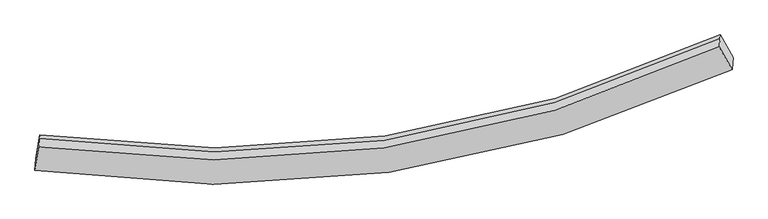
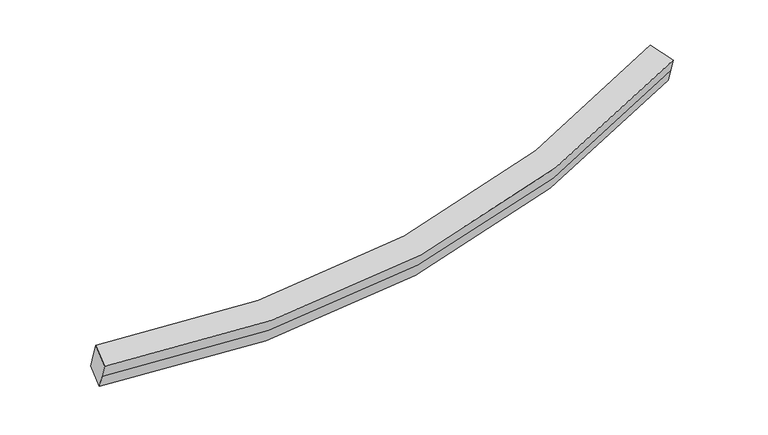
"""IFC4 building model written with IfcOpenShell, lengths in millimetres: proxy geometry."""

import ifcopenshell
import ifcopenshell.guid

model = None  # the IFC model being written
_history = None  # IfcOwnerHistory: only IFC2X3 demands one
_inside = {}  # id of a spatial element -> (the spatial element, [elements in it])
_under = {}  # id of a project, library or spatial element -> (it, [spatial elements below it])
_declared = {}  # id of a project -> (the project, [libraries it declares])
_typed = {}  # id of a type object -> (the type object, [elements of that type])
_made_of = {}  # id of a material, layer set ... -> (it, [elements and type objects made of it])


def new_model(schema):
    """Start an empty IFC model of exactly this schema.

    Asked for "IFC4X3", IfcOpenShell would pick the latest addendum, in which some entities
    have other attributes; the version numbers below select the first issue.
    IFC2X3 requires an IfcOwnerHistory on every rooted entity: one is made here for all.
    """
    global model, _history
    if schema == "IFC4X3":
        model = ifcopenshell.file(schema_version=(4, 3, 0, 0))
    else:
        model = ifcopenshell.file(schema=schema)
    _inside.clear()
    _under.clear()
    _declared.clear()
    _typed.clear()
    _made_of.clear()
    _history = None
    if model.schema == "IFC2X3":
        org = make("IfcOrganization", Name="unknown")
        user = make(
            "IfcPersonAndOrganization",
            ThePerson=make("IfcPerson", FamilyName="unknown"),
            TheOrganization=org,
        )
        app = make(
            "IfcApplication",
            ApplicationDeveloper=org,
            Version="unknown",
            ApplicationFullName="unknown",
            ApplicationIdentifier="unknown",
        )
        _history = make(
            "IfcOwnerHistory",
            OwningUser=user,
            OwningApplication=app,
            ChangeAction="ADDED",
            CreationDate=0,
        )
    return model


def make(cls, **values):
    """One entity of the class cls with the attributes given. An attribute that is None is left unset."""
    return model.create_entity(
        cls, **{name: value for name, value in values.items() if value is not None}
    )


def rooted(cls, **values):
    """An entity with a GlobalId (a new one), such as an element, a storey or a relation."""
    return make(cls, GlobalId=ifcopenshell.guid.new(), OwnerHistory=_history, **values)


def si_unit(unit_type, name, prefix=None):
    """IfcSIUnit, for example si_unit("LENGTHUNIT", "METRE", prefix="MILLI")."""
    return make("IfcSIUnit", UnitType=unit_type, Prefix=prefix, Name=name)


def assignment(units):
    """IfcUnitAssignment: the units of a project."""
    return None if units is None else make("IfcUnitAssignment", Units=units)


def point(xyz):
    """IfcCartesianPoint."""
    return None if xyz is None else make("IfcCartesianPoint", Coordinates=xyz)


def direction(xyz):
    """IfcDirection."""
    return None if xyz is None else make("IfcDirection", DirectionRatios=xyz)


def frame(location, z_axis=None, x_axis=None):
    """IfcAxis2Placement3D, a coordinate frame: its origin and axes. An axis left out is left unset."""
    return make(
        "IfcAxis2Placement3D",
        Location=point(location),
        Axis=direction(z_axis),
        RefDirection=direction(x_axis),
    )


def origin():
    """The frame at (0, 0, 0) with its axes left unset."""
    return frame((0.0, 0.0, 0.0))


def place(relative_to, where):
    """IfcLocalPlacement: puts the frame where relative to a parent placement (None: the world)."""
    return make(
        "IfcLocalPlacement", PlacementRelTo=relative_to, RelativePlacement=where
    )


def context(
    kind, dimensions, precision=None, world=None, true_north=None, identifier=None
):
    """IfcGeometricRepresentationContext, for example the 3D "Model" context."""
    return make(
        "IfcGeometricRepresentationContext",
        ContextIdentifier=identifier,
        ContextType=kind,
        CoordinateSpaceDimension=dimensions,
        Precision=precision,
        WorldCoordinateSystem=world,
        TrueNorth=true_north,
    )


def project(units=None, contexts=None):
    """IfcProject with its units and contexts."""
    return rooted(
        "IfcProject",
        Name="project",
        RepresentationContexts=contexts,
        UnitsInContext=assignment(units),
    )


def spatial(cls, under=None, at=None, **own):
    """A site, building, storey or space (cls), placed at a placement, below another one or the project."""
    s = rooted(cls, ObjectPlacement=at, **own)
    if under is not None:
        _under.setdefault(under.id(), (under, []))[1].append(s)
    return s


def shape(context_of_items, identifier, shape_type, items):
    """IfcShapeRepresentation: the items that make up one representation, for example the "Body"."""
    return make(
        "IfcShapeRepresentation",
        ContextOfItems=context_of_items,
        RepresentationIdentifier=identifier,
        RepresentationType=shape_type,
        Items=items,
    )


def source(mapping_origin, context_of_items, identifier, shape_type, items):
    """IfcRepresentationMap: a shape defined once, which mapped items show again and again."""
    return make(
        "IfcRepresentationMap",
        MappingOrigin=mapping_origin,
        MappedRepresentation=shape(context_of_items, identifier, shape_type, items),
    )


def transform(
    local_origin,
    x_axis=None,
    y_axis=None,
    z_axis=None,
    scale=None,
    scale2=None,
    scale3=None,
    uniform=True,
):
    """IfcCartesianTransformationOperator3D, or its non-uniform kind. x_axis, y_axis, z_axis: its Axis1, 2, 3."""
    if uniform:
        return make(
            "IfcCartesianTransformationOperator3D",
            Axis1=direction(x_axis),
            Axis2=direction(y_axis),
            LocalOrigin=point(local_origin),
            Scale=scale,
            Axis3=direction(z_axis),
        )
    return make(
        "IfcCartesianTransformationOperator3DnonUniform",
        Axis1=direction(x_axis),
        Axis2=direction(y_axis),
        LocalOrigin=point(local_origin),
        Scale=scale,
        Axis3=direction(z_axis),
        Scale2=scale2,
        Scale3=scale3,
    )


def mapped(mapping_source, mapping_target):
    """IfcMappedItem: shows the shape of a source again, moved by a transform."""
    return make(
        "IfcMappedItem", MappingSource=mapping_source, MappingTarget=mapping_target
    )


def made_of(thing, what):
    """Note that an element or type object is made of a material, layer set ...; save() writes the relation."""
    if what is not None:
        _made_of.setdefault(what.id(), (what, []))[1].append(thing)
    return thing


def element(
    cls,
    number,
    at=None,
    inside=None,
    cuts=None,
    type_object=None,
    material=None,
    context=None,
    identifier="Body",
    shape_type=None,
    held_by="IfcProductDefinitionShape",
    body=None,
    shapes=None,
    **own,
):
    """One element of the class cls, such as IfcWall. Its Tag is "e" and its number.

    at: its placement. inside: the storey or other place that contains it. cuts: it is an
    opening in that element (IfcRelVoidsElement). A single representation is given by context,
    identifier, shape_type and body (its items); several are given by shapes. held_by: the class
    of the entity that holds the representations. save() writes the other relations.
    """
    e = rooted(cls, Tag="e%d" % number, ObjectPlacement=at, **own)
    if body is not None:
        shapes = [shape(context, identifier, shape_type, body)]
    if shapes is not None:
        e.Representation = make(held_by, Representations=shapes)
    if inside is not None:
        _inside.setdefault(inside.id(), (inside, []))[1].append(e)
    if cuts is not None:
        rooted(
            "IfcRelVoidsElement", RelatingBuildingElement=cuts, RelatedOpeningElement=e
        )
    if type_object is not None:
        _typed.setdefault(type_object.id(), (type_object, []))[1].append(e)
    return made_of(e, material)


def aggregate(whole, parts):
    """IfcRelAggregates: a whole, such as a stair, and the parts it consists of."""
    return rooted("IfcRelAggregates", RelatingObject=whole, RelatedObjects=parts)


def save(model, path):
    """Write the relations noted so far, then the file.

    IfcRelAggregates (storeys below a building ...), IfcRelContainedInSpatialStructure (elements
    in a storey), IfcRelDefinesByType, IfcRelAssociatesMaterial and IfcRelDeclares: one each for
    every whole, place, type object, material and project.
    """
    for whole, parts in _under.values():
        aggregate(whole, parts)
    for where, things in _inside.values():
        rooted(
            "IfcRelContainedInSpatialStructure",
            RelatedElements=things,
            RelatingStructure=where,
        )
    for kind, things in _typed.values():
        rooted("IfcRelDefinesByType", RelatedObjects=things, RelatingType=kind)
    for what, things in _made_of.values():
        rooted("IfcRelAssociatesMaterial", RelatedObjects=things, RelatingMaterial=what)
    for by, libraries in _declared.values():
        rooted("IfcRelDeclares", RelatingContext=by, RelatedDefinitions=libraries)
    model.write(path)


def plane_surface(at):
    """IfcPlane: the flat surface through the origin of the frame at, square to its z axis."""
    return make("IfcPlane", Position=at)


def spline_curve(degree, points, multiplicities, knots, weights=None):
    """IfcBSplineCurveWithKnots; with weights, IfcRationalBSplineCurveWithKnots."""
    own = dict(
        Degree=degree,
        ControlPointsList=[point(p) for p in points],
        CurveForm="UNSPECIFIED",
        ClosedCurve=False,
        SelfIntersect=False,
        KnotMultiplicities=multiplicities,
        Knots=knots,
        KnotSpec="UNSPECIFIED",
    )
    if weights is None:
        return make("IfcBSplineCurveWithKnots", **own)
    return make("IfcRationalBSplineCurveWithKnots", WeightsData=weights, **own)


def spline_surface(u_degree, v_degree, points, u_multiplicities, v_multiplicities, u_knots, v_knots, weights=None):
    """IfcBSplineSurfaceWithKnots; with weights, IfcRationalBSplineSurfaceWithKnots. points: one row for each step in u."""
    own = dict(
        UDegree=u_degree,
        VDegree=v_degree,
        ControlPointsList=[[point(p) for p in row] for row in points],
        SurfaceForm="UNSPECIFIED",
        UClosed=False,
        VClosed=False,
        SelfIntersect=False,
        UMultiplicities=u_multiplicities,
        VMultiplicities=v_multiplicities,
        UKnots=u_knots,
        VKnots=v_knots,
        KnotSpec="UNSPECIFIED",
    )
    if weights is None:
        return make("IfcBSplineSurfaceWithKnots", **own)
    return make("IfcRationalBSplineSurfaceWithKnots", WeightsData=weights, **own)


def advanced_brep(points, edges, surfaces, faces):
    """IfcAdvancedBrep: a solid bounded by faces that lie on surfaces and meet in shared edges.

    An edge is (start, end): straight between two places in points (the first is 0);
    or (start, end, curve); or (start, end, curve, False) where it runs against its curve.
    A face is (place in surfaces, loops), or (place, loops, False) where it looks against
    its surface's normal. A loop lists edges by number (the first is 1), with a minus sign
    where the edge is run from its end to its start. The first loop is the outer one.
    """
    corners = [point(p) for p in points]
    vertices = [make("IfcVertexPoint", VertexGeometry=c) for c in corners]
    made = []
    for start, end, *more in edges:
        made.append(
            make(
                "IfcEdgeCurve",
                EdgeStart=vertices[start],
                EdgeEnd=vertices[end],
                EdgeGeometry=more[0] if more else make("IfcPolyline", Points=[corners[start], corners[end]]),
                SameSense=more[1] if len(more) > 1 else True,
            )
        )
    hull = []
    for where, loops, *sense in faces:
        bounds = []
        for j, loop in enumerate(loops):
            ring = [make("IfcOrientedEdge", EdgeElement=made[abs(k) - 1], Orientation=k > 0) for k in loop]
            bounds.append(
                make(
                    "IfcFaceOuterBound" if j == 0 else "IfcFaceBound",
                    Bound=make("IfcEdgeLoop", EdgeList=ring),
                    Orientation=True,
                )
            )
        hull.append(make("IfcAdvancedFace", Bounds=bounds, FaceSurface=surfaces[where], SameSense=sense[0] if sense else True))
    return make("IfcAdvancedBrep", Outer=make("IfcClosedShell", CfsFaces=hull))


def generic_models_ab1db310(model_context):
    return source(origin(), model_context, "Body", "AdvancedBrep", [
        advanced_brep(
        [(-4136.1491782, -2252.8471183, 1826.9562509), (-4130.3020109, -2182.2337139, 1640.8523866), (4128.9501084, -986.2150782, 2339.7505806), (4123.0458618, -1057.5178025, 2527.6711695), (-4092.9249112, -1972.5152976, 1934.6806327), (3971.2135726, -785.946314, 2625.9431673), (-4084.6213982, -1872.2377972, 1670.3961037), (3979.1178453, -690.4902458, 2374.3656756), (-4081.2305765, -1831.2884888, 1562.4729041), (3983.022066, -643.3408653, 2250.1019895), (-4124.4548436, -2111.6203095, 1454.7485223), (4134.8543551, -914.9123538, 2151.8299917)],
        [
            (0, 1),
            (1, 2, spline_curve(3, [(-4130.3020109, -2182.2337139, 1640.8523866), (-2698.976646416, -2390.473513655, 1604.84993926), (-1302.325213248, -2398.29588403, 1643.598174537), (1452.340135884, -2008.763067503, 1873.155225226), (2808.772741651, -1602.267818087, 2067.373054251), (4128.9501084, -986.2150782, 2339.7505806)], [4, 2, 4], [0.0, 13.754458675067633, 27.81905767626482])),
            (2, 3),
            (3, 0, spline_curve(3, [(4123.0458618, -1057.5178025, 2527.6711695), (2802.829229034, -1674.044743938, 2256.543416386), (1446.382071499, -2080.715719759, 2062.788719244), (-1308.2631728, -2470.005744534, 1832.591783863), (-2704.881028597, -2461.777874662, 1792.774841622), (-4136.1491782, -2252.8471183, 1826.9562509)], [4, 2, 4], [0.0, 14.064599001197186, 27.81905767626482])),
            (4, 0),
            (3, 5),
            (5, 4, spline_curve(3, [(3971.2135726, -785.946314, 2625.9431673), (2684.642025068, -1392.358983586, 2359.710162935), (1361.449028701, -1793.282806498, 2169.180915326), (-1328.19441436, -2179.843197475, 1942.061966299), (-2693.047578952, -2174.44236879, 1902.170369126), (-4092.9249112, -1972.5152976, 1934.6806327)], [4, 2, 4], [0.0, 13.901904992808582, 27.497257246507807])),
            (6, 4),
            (5, 7),
            (7, 6, spline_curve(3, [(3979.1178453, -690.4902458, 2374.3656756), (2692.426065402, -1298.354899187, 2111.959420089), (1369.207639471, -1699.585825845, 1922.239553997), (-1320.29858847, -2084.489137253, 1690.75332043), (-2684.993243207, -2077.174061108, 1645.816662664), (-4084.6213982, -1872.2377972, 1670.3961037)], [4, 2, 4], [0.0, 13.739244106119752, 27.17552232977938])),
            (8, 6),
            (7, 9),
            (9, 8, spline_curve(3, [(3983.022066, -643.3408653, 2250.1019895), (2696.529051113, -1248.805131724, 1981.369438135), (1373.365156924, -1649.377502195, 1789.913926615), (-1316.318494915, -2036.423476262, 1564.074748108), (-2681.238814705, -2031.833646875, 1526.320564185), (-4081.2305765, -1831.2884888, 1562.4729041)], [4, 2, 4], [0.0, 13.739233382057506, 27.175501118132598])),
            (10, 8),
            (9, 11),
            (11, 10, spline_curve(3, [(4134.8543551, -914.9123538, 2151.8299917), (2814.71625481, -1530.490892254, 1878.202691743), (1458.29819974, -1936.810415041, 1683.521731011), (-1296.387253176, -2326.586023728, 1454.604565204), (-2693.0722644, -2319.169152286, 1416.925036592), (-4124.4548436, -2111.6203095, 1454.7485223)], [4, 2, 4], [0.0, 13.901913103117291, 27.49727328828374])),
            (1, 10),
            (11, 2),
        ],
        [
            spline_surface(3, 3, [[(-4136.1491782, -2252.8471183, 1826.9562509), (-2704.881028792, -2461.777874453, 1792.774841468), (-1308.263172786, -2470.005744692, 1832.59178382), (1446.382071484, -2080.715719598, 2062.788719287), (2802.82922885, -1674.044744065, 2256.543416459), (4123.0458618, -1057.5178025, 2527.6711695)], [(-4134.200122431, -2229.309316841, 1764.921629471), (-2702.912901389, -2438.009754119, 1730.133207348), (-1306.283852873, -2446.102457849, 1769.593914082), (1448.368092877, -2056.731502213, 1999.577554542), (2804.810399887, -1650.119102083, 2193.486629045), (4125.013944028, -1033.750227722, 2465.030973208)], [(-4132.251066669, -2205.771515359, 1702.887008029), (-2700.944773993, -2414.241633762, 1667.491573216), (-1304.304532953, -2422.199170968, 1706.596044395), (1450.354114279, -2032.747284791, 1936.366389847), (2806.79157084, -1626.193460135, 2130.429841605), (4126.982026172, -1009.982652978, 2402.390776892)], [(-4130.3020109, -2182.2337139, 1640.8523866), (-2698.97664659, -2390.473513429, 1604.849939096), (-1302.325213041, -2398.295884125, 1643.598174657), (1452.340135673, -2008.763067406, 1873.155225102), (2808.772741878, -1602.267818154, 2067.37305419), (4128.9501084, -986.2150782, 2339.7505806)]], [4, 4], [4, 2, 4], [0.0, 0.6646247798040327], [0.0, 13.754458675067633, 27.81905767626482]),
            spline_surface(3, 3, [[(-4092.9249112, -1972.5152976, 1934.6806327), (-2693.047579139, -2174.442368813, 1902.170368986), (-1328.194414219, -2179.843197342, 1942.061966337), (1361.449028557, -1793.282806634, 2169.180915286), (2684.642024919, -1392.358983567, 2359.710162816), (3971.2135726, -785.946314, 2625.9431673)], [(-4107.33300021, -2065.959237836, 1898.772505424), (-2696.992062367, -2270.220870695, 1865.705193138), (-1321.550667061, -2276.564046456, 1905.571905506), (1389.760042879, -1889.093777619, 2133.71684996), (2724.037759541, -1486.25423708, 2325.321247367), (4021.824335645, -876.470143514, 2593.185834703)], [(-4121.74108919, -2159.403178064, 1862.864378176), (-2700.936545564, -2365.99937257, 1829.240017316), (-1314.906919943, -2373.284895578, 1869.081844652), (1418.071057161, -1984.904748613, 2098.252784613), (2763.433494228, -1580.149490552, 2290.932331908), (4072.435098755, -966.993972986, 2560.428502097)], [(-4136.1491782, -2252.8471183, 1826.9562509), (-2704.881028792, -2461.777874453, 1792.774841468), (-1308.263172786, -2470.005744692, 1832.59178382), (1446.382071484, -2080.715719598, 2062.788719287), (2802.82922885, -1674.044744065, 2256.543416459), (4123.0458618, -1057.5178025, 2527.6711695)]], [4, 4], [4, 2, 4], [0.0, 1.0262942274259053], [0.0, 13.595352253699225, 27.497257246507807]),
            spline_surface(3, 3, [[(-4084.6213982, -1872.2377972, 1670.3961037), (-2684.993243378, -2077.174061112, 1645.816662678), (-1320.298588382, -2084.489137315, 1690.75332041), (1369.207639381, -1699.585825781, 1922.239554018), (2692.426065605, -1298.354899103, 2111.959420252), (3979.1178453, -690.4902458, 2374.3656756)], [(-4087.389235868, -1905.663630645, 1758.490946686), (-2687.678021967, -2109.596830324, 1731.267898099), (-1322.930530325, -2116.273823973, 1774.522869045), (1366.621435776, -1730.818152714, 2004.5533411), (2689.831385394, -1329.689593901, 2194.543001085), (3976.483087751, -722.308935177, 2458.224839478)], [(-4090.157073532, -1939.089464155, 1846.585789714), (-2690.36280055, -2142.019599601, 1816.719133564), (-1325.562472276, -2148.058510684, 1858.292417702), (1364.035232162, -1762.050479701, 2086.867128204), (2687.236705131, -1361.024288769, 2277.126581983), (3973.848330149, -754.127624623, 2542.084003422)], [(-4092.9249112, -1972.5152976, 1934.6806327), (-2693.047579139, -2174.442368813, 1902.170368986), (-1328.194414219, -2179.843197342, 1942.061966337), (1361.449028557, -1793.282806634, 2169.180915286), (2684.642024919, -1392.358983567, 2359.710162816), (3971.2135726, -785.946314, 2625.9431673)]], [4, 4], [4, 2, 4], [0.0, 0.874406686110462], [0.0, 13.436278223659627, 27.17552232977938]),
            spline_surface(3, 3, [[(-4081.2305765, -1831.2884888, 1562.4729041), (-2681.238814636, -2031.833646765, 1526.320564242), (-1316.318494829, -2036.423476209, 1564.074747911), (1373.365156835, -1649.377502249, 1789.913926816), (2696.529051175, -1248.805131645, 1981.369438279), (3983.022066, -643.3408653, 2250.1019895)], [(-4082.360850369, -1844.938258272, 1598.447303972), (-2682.490290853, -2046.947118219, 1566.152597059), (-1317.645192711, -2052.445363237, 1606.300938752), (1371.979317653, -1666.113610086, 1834.022469224), (2695.161389312, -1265.32172081, 2024.899432275), (3981.720659094, -659.057325479, 2291.523218205)], [(-4083.491124331, -1858.588027728, 1634.421703828), (-2683.741767161, -2062.060589658, 1605.98462986), (-1318.9718905, -2068.467250287, 1648.527129569), (1370.593478563, -1682.849717945, 1878.13101161), (2693.793727468, -1281.838309937, 2068.429426256), (3980.419252206, -674.773785621, 2332.944446895)], [(-4084.6213982, -1872.2377972, 1670.3961037), (-2684.993243378, -2077.174061112, 1645.816662678), (-1320.298588382, -2084.489137315, 1690.75332041), (1369.207639381, -1699.585825781, 1922.239554018), (2692.426065605, -1298.354899103, 2111.959420252), (3979.1178453, -690.4902458, 2374.3656756)]], [4, 4], [4, 2, 4], [0.0, 0.45484287349760527], [0.0, 13.436267736075092, 27.175501118132598]),
            spline_surface(3, 3, [[(-4124.4548436, -2111.6203095, 1454.7485223), (-2693.072264388, -2319.169152405, 1416.925036724), (-1296.387253296, -2326.586023559, 1454.604565394), (1458.298199862, -1936.810415214, 1683.521730818), (2814.716255006, -1530.490892143, 1878.202691922), (4134.8543551, -914.9123538, 2151.8299917)], [(-4110.04675459, -2018.176369264, 1490.656649576), (-2689.12778116, -2223.390650522, 1453.390212572), (-1303.031000454, -2229.865174445, 1491.094626226), (1429.98718554, -1840.999444228, 1718.985796143), (2775.320520384, -1436.59563863, 1912.591607371), (4084.243592055, -824.388524286, 2184.587324297)], [(-4095.63866551, -1924.732429036, 1526.564776824), (-2685.183297864, -2127.612148647, 1489.855388393), (-1309.674747671, -2133.144325323, 1527.584687079), (1401.676171158, -1745.188473235, 1754.449861491), (2735.924785797, -1342.700385158, 1946.98052283), (4033.632829045, -733.864694814, 2217.344656903)], [(-4081.2305765, -1831.2884888, 1562.4729041), (-2681.238814636, -2031.833646765, 1526.320564242), (-1316.318494829, -2036.423476209, 1564.074747911), (1373.365156835, -1649.377502249, 1789.913926816), (2696.529051175, -1248.805131645, 1981.369438279), (3983.022066, -643.3408653, 2250.1019895)]], [4, 4], [4, 2, 4], [0.0, 1.0262942274259073], [0.0, 13.595360185166449, 27.49727328828374]),
            spline_surface(3, 3, [[(-4130.3020109, -2182.2337139, 1640.8523866), (-2698.97664659, -2390.473513429, 1604.849939096), (-1302.325213041, -2398.295884125, 1643.598174657), (1452.340135673, -2008.763067406, 1873.155225102), (2808.772741878, -1602.267818154, 2067.37305419), (4128.9501084, -986.2150782, 2339.7505806)], [(-4128.352955131, -2158.695912441, 1578.817765171), (-2697.008519187, -2366.705393095, 1542.208304976), (-1300.345893129, -2374.392597282, 1580.600304919), (1454.326157066, -1984.778850021, 1809.944060357), (2810.753912915, -1578.342176172, 2004.316266776), (4130.918190628, -962.447503422, 2277.110384308)], [(-4126.403899369, -2135.158110959, 1516.783143729), (-2695.040391791, -2342.937272738, 1479.566670844), (-1298.366573208, -2350.489310402, 1517.602435132), (1456.312178468, -1960.794632598, 1746.732895563), (2812.735083968, -1554.416534124, 1941.259479336), (4132.886272872, -938.679928578, 2214.470187992)], [(-4124.4548436, -2111.6203095, 1454.7485223), (-2693.072264388, -2319.169152405, 1416.925036724), (-1296.387253296, -2326.586023559, 1454.604565394), (1458.298199862, -1936.810415214, 1683.521730818), (2814.716255006, -1530.490892143, 1878.202691922), (4134.8543551, -914.9123538, 2151.8299917)]], [4, 4], [4, 2, 4], [0.0, 0.6646247798040348], [0.0, 13.754462597356937, 27.81906560928457]),
            plane_surface(frame((4053.0339639, -850.4293339, 2388.8865795), z_axis=(0.8846462858626508, 0.42604072310678415, 0.189447225274127), x_axis=(-0.02936270404027078, -0.3545991392349403, 0.9345572652680428))),
            plane_surface(frame((-4108.6898774, -2042.0678035, 1694.7145775), z_axis=(-0.9893648422919575, 0.14356267907404596, 0.023387304540983547), x_axis=(-0.0293627040403129, -0.35459913923496234, 0.9345572652680332))),
        ],
        [
            (0, [[1, 2, 3, 4]]),
            (1, [[5, -4, 6, 7]]),
            (2, [[8, -7, 9, 10]]),
            (3, [[11, -10, 12, 13]]),
            (4, [[14, -13, 15, 16]]),
            (5, [[17, -16, 18, -2]]),
            (6, [[-12, -9, -6, -3, -18, -15]]),
            (7, [[-1, -5, -8, -11, -14, -17]]),
        ],
    ),
    ])


if __name__ == "__main__":
    model = new_model("IFC4")
    model_context = context("Model", 3, world=origin())
    ifc_project = project(units=[si_unit("LENGTHUNIT", "METRE", prefix="MILLI")], contexts=[model_context])
    site = spatial("IfcSite", under=ifc_project)
    building = spatial("IfcBuilding", under=site)
    placement = place(None, origin())
    generic_models_shape = generic_models_ab1db310(model_context)
    element("IfcBuildingElementProxy", 1, Name="Generic Models", at=placement, inside=building, context=model_context, shape_type="MappedRepresentation", body=[
        mapped(generic_models_shape, transform((0.0, 0.0, 0.0), x_axis=(1.0, 0.0, 0.0), y_axis=(0.0, 1.0, 0.0), z_axis=(0.0, 0.0, 1.0))),
    ])
    save(model, "model.ifc")
